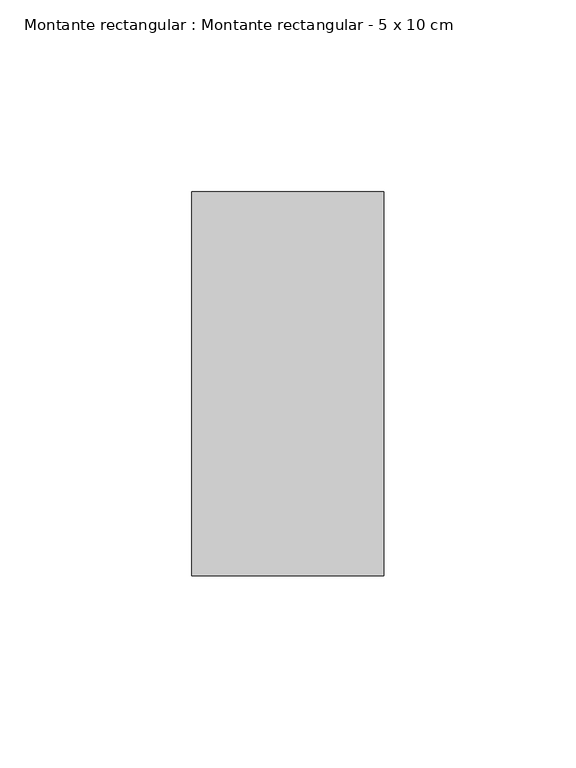
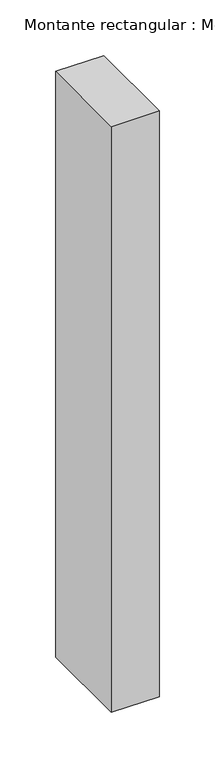
"""IFC4 building model written with IfcOpenShell, lengths in millimetres: member geometry, Montante rectangular : Montante rectangular - 5 x 10 cm."""

from ifc_helpers import new_model, si_unit, frame, origin, place, context, project, spatial, polyline, outline, extrude, source, transform, mapped, element, save


def montante_rectangular_montante_rectangular_5_x_10_cm_acb283d8(model_context):
    return source(origin(), model_context, "Body", "SweptSolid", [
        extrude(outline(polyline([(-50.0, 50.0), (0.0, 50.0), (0.0, -50.0), (-50.0, -50.0), (-50.0, 50.0)])), frame((0.0, 0.0, -643.7086579), z_axis=(0.0, 0.0, 1.0), x_axis=(1.0, 0.0, 0.0)), (0.0, 0.0, 1.0), 643.7086579),
    ])


if __name__ == "__main__":
    model = new_model("IFC4")
    model_context = context("Model", 3, world=origin())
    ifc_project = project(units=[si_unit("LENGTHUNIT", "METRE", prefix="MILLI")], contexts=[model_context])
    site = spatial("IfcSite", under=ifc_project)
    building = spatial("IfcBuilding", under=site)
    placement = place(None, origin())
    montante_rectangular_montante_rectangular_5_x_10_cm_shape = montante_rectangular_montante_rectangular_5_x_10_cm_acb283d8(model_context)
    element("IfcMember", 1, ObjectType="Montante rectangular : Montante rectangular - 5 x 10 cm", at=placement, inside=building, context=model_context, shape_type="MappedRepresentation", body=[
        mapped(montante_rectangular_montante_rectangular_5_x_10_cm_shape, transform((0.0, 0.0, 0.0), x_axis=(1.0, 0.0, 0.0), y_axis=(0.0, 1.0, 0.0), z_axis=(0.0, 0.0, 1.0))),
    ])
    save(model, "model.ifc")
